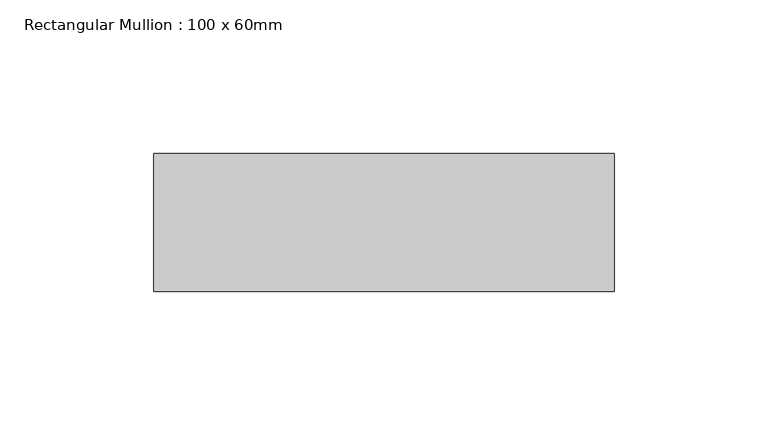
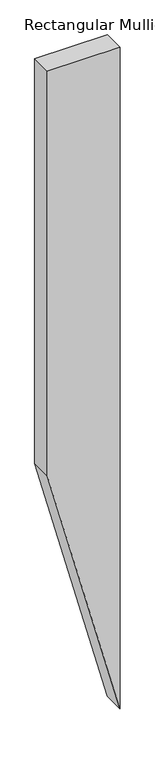
"""IFC4 building model written with IfcOpenShell, lengths in millimetres: member geometry, Rectangular Mullion : 100 x 60mm."""

from ifc_helpers import new_model, si_unit, frame, origin, place, context, project, spatial, polyline, outline, extrude, source, transform, mapped, element, save


def rectangular_mullion_100_x_60mm_ff60db96(model_context):
    return source(origin(), model_context, "Body", "SweptSolid", [
        extrude(outline(polyline([(0.0, 75.0), (0.0, -75.0), (-883.5007621, -75.0), (-1443.3083832, 75.0), (0.0, 75.0)])), frame((0.0, -15.0, 0.0), z_axis=(0.0, 1.0, 0.0), x_axis=(0.0, 0.0, 1.0)), (0.0, 0.0, 1.0), 45.0),
    ])


if __name__ == "__main__":
    model = new_model("IFC4")
    model_context = context("Model", 3, world=origin())
    ifc_project = project(units=[si_unit("LENGTHUNIT", "METRE", prefix="MILLI")], contexts=[model_context])
    site = spatial("IfcSite", under=ifc_project)
    building = spatial("IfcBuilding", under=site)
    placement = place(None, origin())
    rectangular_mullion_100_x_60mm_shape = rectangular_mullion_100_x_60mm_ff60db96(model_context)
    element("IfcMember", 1, ObjectType="Rectangular Mullion : 100 x 60mm", at=placement, inside=building, context=model_context, shape_type="MappedRepresentation", body=[
        mapped(rectangular_mullion_100_x_60mm_shape, transform((0.0, 0.0, 0.0), x_axis=(1.0, 0.0, 0.0), y_axis=(0.0, 1.0, 0.0), z_axis=(0.0, 0.0, 1.0))),
    ])
    save(model, "model.ifc")
